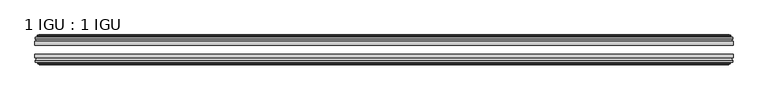
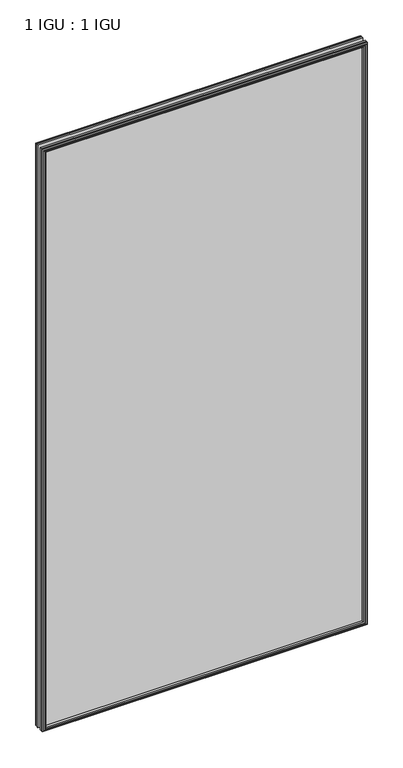
"""IFC4 building model written with IfcOpenShell, lengths in millimetres: plate geometry, 1 IGU : 1 IGU."""

from ifc_helpers import new_model, si_unit, frame, origin, place, context, project, spatial, polyline, outline, extrude, faceted_brep, source, transform, mapped, element, save


def plate_1_igu_1_igu_86dc6c4b(model_context):
    return source(origin(), model_context, "Body", "SolidModel", [
        extrude(outline(polyline([(532.8020352, -25.8960937), (532.8020352, -32.2460938), (-532.8020352, -32.2460938), (-532.8020352, -25.8960937), (532.8020352, -25.8960937)])), frame((0.0, 0.0, -12.7), z_axis=(0.0, 0.0, 1.0), x_axis=(1.0, 0.0, 0.0)), (0.0, 0.0, 1.0), 2019.3),
        extrude(outline(polyline([(-532.8020352, -51.2960938), (-532.8020352, -45.2686737), (532.8020352, -45.2686737), (532.8020352, -51.2960938), (-532.8020352, -51.2960938)])), frame((0.0, 0.0, -12.7), z_axis=(0.0, 0.0, 1.0), x_axis=(1.0, 0.0, 0.0)), (0.0, 0.0, 1.0), 2019.3),
        faceted_brep([(-527.2140352, -60.0262907, 2001.012), (-527.5950352, -57.6460937, 2001.393), (-527.5950352, -57.6460937, -7.493), (-527.2140352, -60.0262907, -7.112), (-528.6295643, -59.5663575, 2002.4275291), (-528.6295643, -59.5663575, -8.5275291), (-528.6295643, -60.3675717, 2002.4275291), (-528.6295643, -60.3675717, -8.5275291), (-526.4520352, -61.0750937, 2000.25), (-526.4520352, -61.0750937, -6.35), (-524.2745062, -60.3675717, 1998.0724709), (-524.2745062, -60.3675717, -4.1724709), (-524.2745062, -59.5663575, 1998.0724709), (-524.2745062, -59.5663575, -4.1724709), (-525.6900352, -60.0262907, 1999.488), (-525.6900352, -60.0262907, -5.588), (-525.3090352, -57.6460937, 1999.107), (-525.3090352, -57.6460937, -5.207), (-518.3843171, -51.2960937, 1992.1822819), (-520.1020352, -57.6460937, 1993.9), (-520.1020352, -57.6460937, 0.0), (-518.3843171, -51.2960937, 1.7177181), (-532.0400352, -54.6996937, 2005.838), (-529.2056931, -51.2960937, 2003.0036578), (-529.2056931, -51.2960937, -9.1036578), (-532.0400352, -54.6996937, -11.938), (-532.0400352, -57.6460937, 2005.838), (-532.0400352, -57.6460937, -11.938), (527.5950352, -57.6460938, -7.493), (527.2140352, -60.0262907, -7.112), (528.6295643, -59.5663575, -8.5275291), (528.6295643, -60.3675717, -8.5275291), (526.4520352, -61.0750937, -6.35), (524.2745062, -60.3675717, -4.1724709), (524.2745062, -59.5663575, -4.1724709), (525.6900352, -60.0262907, -5.588), (525.3090352, -57.6460937, -5.207), (520.1020352, -57.6460937, 0.0), (518.3843171, -51.2960937, 1.7177181), (529.2056931, -51.2960937, -9.1036578), (532.0400352, -54.6996937, -11.938), (532.0400352, -57.6460938, -11.938), (527.5950352, -57.6460938, 2001.393), (527.2140352, -60.0262907, 2001.012), (528.6295643, -59.5663575, 2002.4275291), (528.6295643, -60.3675717, 2002.4275291), (526.4520352, -61.0750937, 2000.25), (524.2745062, -60.3675717, 1998.0724709), (524.2745062, -59.5663575, 1998.0724709), (525.6900352, -60.0262907, 1999.488), (525.3090352, -57.6460937, 1999.107), (520.1020352, -57.6460937, 1993.9), (518.3843171, -51.2960937, 1992.1822819), (529.2056931, -51.2960937, 2003.0036578), (532.0400352, -54.6996937, 2005.838), (532.0400352, -57.6460938, 2005.838)], [[[0, 1, 2, 3]], [[4, 0, 3, 5]], [[6, 4, 5, 7]], [[8, 6, 7, 9]], [[10, 8, 9, 11]], [[12, 10, 11, 13]], [[14, 12, 13, 15]], [[16, 14, 15, 17]], [[18, 19, 20, 21]], [[22, 23, 24, 25]], [[26, 22, 25, 27]], [[3, 2, 28, 29]], [[5, 3, 29, 30]], [[7, 5, 30, 31]], [[9, 7, 31, 32]], [[11, 9, 32, 33]], [[13, 11, 33, 34]], [[15, 13, 34, 35]], [[17, 15, 35, 36]], [[21, 20, 37, 38]], [[25, 24, 39, 40]], [[27, 25, 40, 41]], [[29, 28, 42, 43]], [[30, 29, 43, 44]], [[31, 30, 44, 45]], [[32, 31, 45, 46]], [[33, 32, 46, 47]], [[34, 33, 47, 48]], [[35, 34, 48, 49]], [[36, 35, 49, 50]], [[38, 37, 51, 52]], [[40, 39, 53, 54]], [[41, 40, 54, 55]], [[27, 41, 55, 26], [1, 42, 28, 2]], [[43, 42, 1, 0]], [[44, 43, 0, 4]], [[45, 44, 4, 6]], [[46, 45, 6, 8]], [[47, 46, 8, 10]], [[48, 47, 10, 12]], [[49, 48, 12, 14]], [[50, 49, 14, 16]], [[17, 36, 50, 16], [19, 51, 37, 20]], [[52, 51, 19, 18]], [[23, 53, 39, 24], [21, 38, 52, 18]], [[54, 53, 23, 22]], [[55, 54, 22, 26]]]),
        faceted_brep([(-529.7263931, -25.8960937, 2003.5243578), (-532.5607352, -22.4924937, 2006.3587), (-532.5607352, -22.4924937, -12.4587), (-529.7263931, -25.8960937, -9.6243578), (-520.6227352, -19.5460937, 1994.4207), (-518.9050171, -25.8960937, 1992.7029819), (-518.9050171, -25.8960937, 1.1970181), (-520.6227352, -19.5460937, -0.5207), (-526.2107352, -17.1658968, 2000.0087), (-525.8297352, -19.5460937, 1999.6277), (-525.8297352, -19.5460937, -5.7277), (-526.2107352, -17.1658968, -6.1087), (-524.7952062, -17.62583, 1998.5931709), (-524.7952062, -17.62583, -4.6931709), (-524.7952062, -16.8246158, 1998.5931709), (-524.7952062, -16.8246158, -4.6931709), (-526.9727352, -16.1170937, 2000.7707), (-526.9727352, -16.1170937, -6.8707), (-529.1502643, -16.8246158, 2002.9482291), (-529.1502643, -16.8246158, -9.0482291), (-529.1502643, -17.62583, 2002.9482291), (-529.1502643, -17.62583, -9.0482291), (-527.7347352, -17.1658968, 2001.5327), (-527.7347352, -17.1658968, -7.6327), (-528.1157352, -19.5460937, 2001.9137), (-528.1157352, -19.5460937, -8.0137), (-532.5607352, -19.5460937, 2006.3587), (-532.5607352, -19.5460937, -12.4587), (532.5607352, -22.4924937, -12.4587), (529.7263931, -25.8960937, -9.6243578), (518.9050171, -25.8960937, 1.1970181), (520.6227352, -19.5460937, -0.5207), (525.8297352, -19.5460937, -5.7277), (526.2107352, -17.1658968, -6.1087), (524.7952062, -17.62583, -4.6931709), (524.7952062, -16.8246158, -4.6931709), (526.9727352, -16.1170937, -6.8707), (529.1502643, -16.8246158, -9.0482291), (529.1502643, -17.62583, -9.0482291), (527.7347352, -17.1658968, -7.6327), (528.1157352, -19.5460937, -8.0137), (532.5607352, -19.5460937, -12.4587), (532.5607352, -22.4924937, 2006.3587), (529.7263931, -25.8960937, 2003.5243578), (518.9050171, -25.8960937, 1992.7029819), (520.6227352, -19.5460937, 1994.4207), (525.8297352, -19.5460937, 1999.6277), (526.2107352, -17.1658968, 2000.0087), (524.7952062, -17.62583, 1998.5931709), (524.7952062, -16.8246158, 1998.5931709), (526.9727352, -16.1170937, 2000.7707), (529.1502643, -16.8246158, 2002.9482291), (529.1502643, -17.62583, 2002.9482291), (527.7347352, -17.1658968, 2001.5327), (528.1157352, -19.5460937, 2001.9137), (532.5607352, -19.5460937, 2006.3587)], [[[0, 1, 2, 3]], [[4, 5, 6, 7]], [[8, 9, 10, 11]], [[12, 8, 11, 13]], [[14, 12, 13, 15]], [[16, 14, 15, 17]], [[18, 16, 17, 19]], [[20, 18, 19, 21]], [[22, 20, 21, 23]], [[24, 22, 23, 25]], [[1, 26, 27, 2]], [[3, 2, 28, 29]], [[7, 6, 30, 31]], [[11, 10, 32, 33]], [[13, 11, 33, 34]], [[15, 13, 34, 35]], [[17, 15, 35, 36]], [[19, 17, 36, 37]], [[21, 19, 37, 38]], [[23, 21, 38, 39]], [[25, 23, 39, 40]], [[2, 27, 41, 28]], [[29, 28, 42, 43]], [[31, 30, 44, 45]], [[33, 32, 46, 47]], [[34, 33, 47, 48]], [[35, 34, 48, 49]], [[36, 35, 49, 50]], [[37, 36, 50, 51]], [[38, 37, 51, 52]], [[39, 38, 52, 53]], [[40, 39, 53, 54]], [[28, 41, 55, 42]], [[43, 42, 1, 0]], [[3, 29, 43, 0], [5, 44, 30, 6]], [[45, 44, 5, 4]], [[9, 46, 32, 10], [7, 31, 45, 4]], [[47, 46, 9, 8]], [[48, 47, 8, 12]], [[49, 48, 12, 14]], [[50, 49, 14, 16]], [[51, 50, 16, 18]], [[52, 51, 18, 20]], [[53, 52, 20, 22]], [[54, 53, 22, 24]], [[26, 55, 41, 27], [25, 40, 54, 24]], [[42, 55, 26, 1]]]),
    ])


if __name__ == "__main__":
    model = new_model("IFC4")
    model_context = context("Model", 3, world=origin())
    ifc_project = project(units=[si_unit("LENGTHUNIT", "METRE", prefix="MILLI")], contexts=[model_context])
    site = spatial("IfcSite", under=ifc_project)
    building = spatial("IfcBuilding", under=site)
    placement = place(None, origin())
    plate_1_igu_1_igu_shape = plate_1_igu_1_igu_86dc6c4b(model_context)
    element("IfcPlate", 1, ObjectType="1 IGU : 1 IGU", at=placement, inside=building, context=model_context, shape_type="MappedRepresentation", body=[
        mapped(plate_1_igu_1_igu_shape, transform((0.0, 0.0, 0.0), x_axis=(1.0, 0.0, 0.0), y_axis=(0.0, 1.0, 0.0), z_axis=(0.0, 0.0, 1.0))),
    ])
    save(model, "model.ifc")
